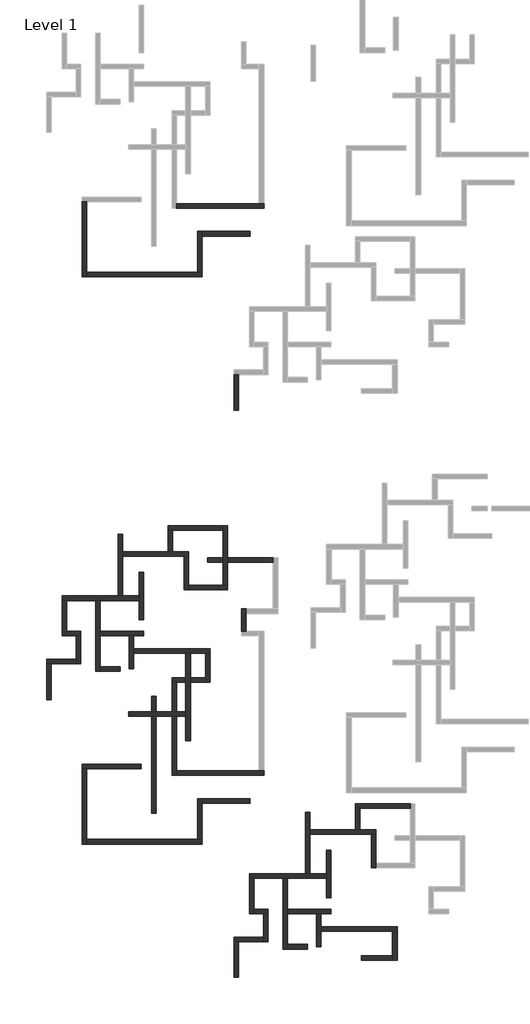
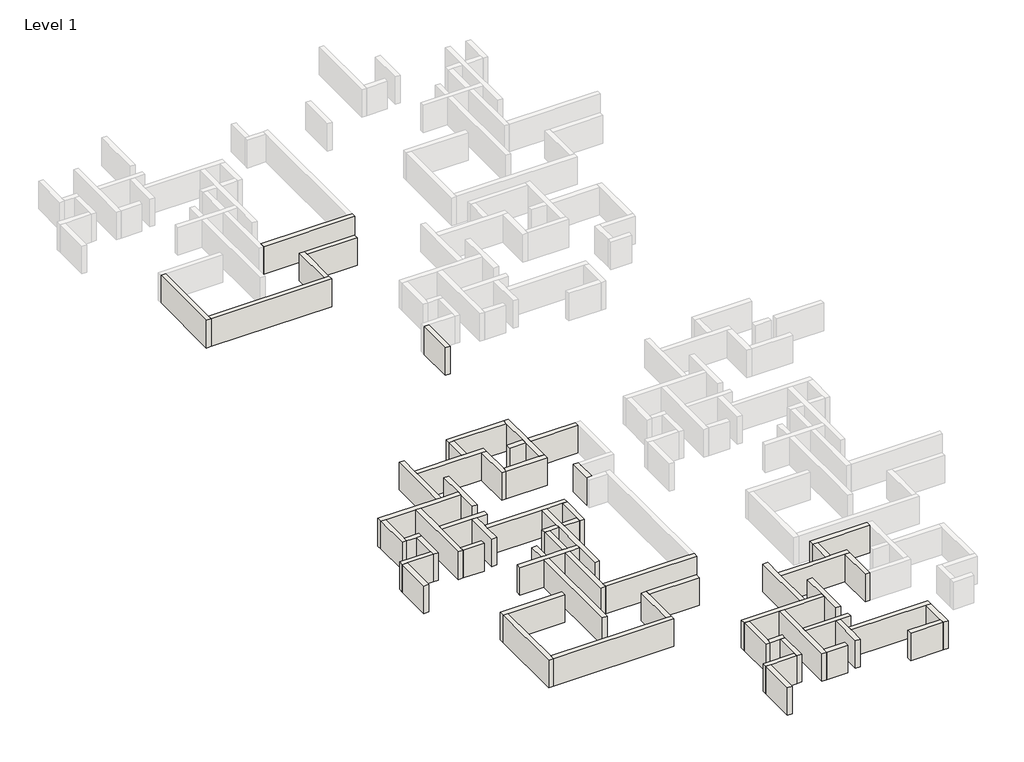
# One storey, part 1 of 7: 58 walls.
"""IFC4 building model written with IfcOpenShell, lengths in millimetres."""

from ifc_helpers import new_model, si_unit, origin, origin_with_axes, place, context, project, spatial, polyline, outline, extrude, faceted_brep, element, save

model = new_model("IFC4")

# Units and contexts
model_context = context("Model", 3, world=origin())
ifc_project = project(units=[si_unit("LENGTHUNIT", "METRE", prefix="MILLI")], contexts=[model_context])

# Site, building, storey
site = spatial("IfcSite", under=ifc_project)
building = spatial("IfcBuilding", under=site)
storey = spatial("IfcBuildingStorey", under=building, Name="Level 1", Elevation=0.0)

# Walls
placement = place(None, origin())
element("IfcWall", 1, ObjectType="Generic - 200mm", at=placement, inside=storey, context=model_context, shape_type="Brep", body=[
    faceted_brep([(-7334.8033404, -662.5465156, 0.0), (2065.1966596, -662.5465156, 0.0), (2065.1966596, -662.5465156, 3000.0), (-7334.8033404, -662.5465156, 3000.0), (-7334.8033404, -162.5465156, 0.0), (-7334.8033404, -162.5465156, 3000.0), (1565.1966596, -162.5465156, 3000.0), (2065.1966596, -162.5465156, 3000.0), (2065.1966596, -162.5465156, 0.0), (1565.1966596, -162.5465156, 0.0)], [[[0, 1, 2, 3]], [[4, 5, 6, 7, 8, 9]], [[1, 0, 4, 9, 8]], [[3, 2, 7, 6, 5]], [[0, 3, 5, 4]], [[2, 1, 8, 7]]]),
])
element("IfcWall", 2, ObjectType="Generic - 200mm", at=placement, inside=storey, context=model_context, shape_type="Brep", body=[
    faceted_brep([(-17484.8033404, 37.4534844, 0.0), (-17484.8033404, -8062.5465156, 0.0), (-17484.8033404, -8062.5465156, 3000.0), (-17484.8033404, 37.4534844, 3000.0), (-16984.8033404, 37.4534844, 0.0), (-16984.8033404, 37.4534844, 3000.0), (-16984.8033404, -7562.5465156, 3000.0), (-16984.8033404, -8062.5465156, 3000.0), (-16984.8033404, -8062.5465156, 0.0), (-16984.8033404, -7562.5465156, 0.0)], [[[0, 1, 2, 3]], [[4, 5, 6, 7, 8, 9]], [[1, 0, 4, 9, 8]], [[3, 2, 7, 6, 5]], [[0, 3, 5, 4]], [[2, 1, 8, 7]]]),
])
element("IfcWall", 3, ObjectType="Generic - 200mm", at=placement, inside=storey, context=model_context, shape_type="Brep", body=[
    faceted_brep([(-16984.8033404, -8062.5465156, 0.0), (-4584.8033404, -8062.5465156, 0.0), (-4584.8033404, -8062.5465156, 3000.0), (-16984.8033404, -8062.5465156, 3000.0), (-16984.8033404, -7562.5465156, 0.0), (-16984.8033404, -7562.5465156, 3000.0), (-5084.8033404, -7562.5465156, 3000.0), (-4584.8033404, -7562.5465156, 3000.0), (-4584.8033404, -7562.5465156, 0.0), (-5084.8033404, -7562.5465156, 0.0)], [[[0, 1, 2, 3]], [[4, 5, 6, 7, 8, 9]], [[1, 0, 4, 9, 8]], [[3, 2, 7, 6, 5]], [[0, 3, 5, 4]], [[2, 1, 8, 7]]]),
])
element("IfcWall", 4, ObjectType="Generic - 200mm", at=placement, inside=storey, context=model_context, shape_type="Brep", body=[
    faceted_brep([(-4584.8033404, -7562.5465156, 0.0), (-4584.8033404, -3662.5465156, 0.0), (-4584.8033404, -3162.5465156, 0.0), (-4584.8033404, -3162.5465156, 3000.0), (-4584.8033404, -3662.5465156, 3000.0), (-4584.8033404, -7562.5465156, 3000.0), (-5084.8033404, -7562.5465156, 0.0), (-5084.8033404, -7562.5465156, 3000.0), (-5084.8033404, -3162.5465156, 3000.0), (-5084.8033404, -3162.5465156, 0.0)], [[[0, 1, 2, 3, 4, 5]], [[6, 7, 8, 9]], [[2, 1, 0, 6, 9]], [[5, 4, 3, 8, 7]], [[0, 5, 7, 6]], [[3, 2, 9, 8]]]),
])
element("IfcWall", 5, ObjectType="Generic - 200mm", at=placement, inside=storey, context=model_context, shape_type="SweptSolid", body=[
    extrude(outline(polyline([(565.1966596, -3662.5465156), (-4584.8033404, -3662.5465156), (-4584.8033404, -3162.5465156), (565.1966596, -3162.5465156), (565.1966596, -3662.5465156)])), origin_with_axes(), (0.0, 0.0, 1.0), 3000.0),
])
element("IfcWall", 6, ObjectType="Generic - 200mm", at=placement, inside=storey, context=model_context, shape_type="SweptSolid", body=[
    extrude(outline(polyline([(-1167.6150204, -22411.6327635), (-1167.6150204, -18561.6327635), (-667.6150204, -18561.6327635), (-667.6150204, -22411.6327635), (-1167.6150204, -22411.6327635)])), origin_with_axes(), (0.0, 0.0, 1.0), 3000.0),
])
element("IfcWall", 7, ObjectType="Generic - 200mm", at=placement, inside=storey, context=model_context, shape_type="Brep", body=[
    faceted_brep([(-19634.8033404, -42862.5465156, 0.0), (-19134.8033404, -42862.5465156, 0.0), (-16034.8033404, -42862.5465156, 0.0), (-15534.8033404, -42862.5465156, 0.0), (-11384.8033404, -42862.5465156, 0.0), (-11384.8033404, -42862.5465156, 3000.0), (-15534.8033404, -42862.5465156, 3000.0), (-16034.8033404, -42862.5465156, 3000.0), (-19134.8033404, -42862.5465156, 3000.0), (-19634.8033404, -42862.5465156, 3000.0), (-19634.8033404, -42362.5465156, 0.0), (-19634.8033404, -42362.5465156, 3000.0), (-13634.8033404, -42362.5465156, 3000.0), (-13134.8033404, -42362.5465156, 3000.0), (-11384.8033404, -42362.5465156, 3000.0), (-11384.8033404, -42362.5465156, 0.0), (-13134.8033404, -42362.5465156, 0.0), (-13634.8033404, -42362.5465156, 0.0)], [[[0, 1, 2, 3, 4, 5, 6, 7, 8, 9]], [[10, 11, 12, 13, 14, 15, 16, 17]], [[4, 3, 2, 1, 0, 10, 17, 16, 15]], [[9, 8, 7, 6, 5, 14, 13, 12, 11]], [[0, 9, 11, 10]], [[5, 4, 15, 14]]]),
])
element("IfcWall", 8, ObjectType="Generic - 200mm", at=placement, inside=storey, context=model_context, shape_type="Brep", body=[
    faceted_brep([(-16034.8033404, -42862.5465156, 0.0), (-16034.8033404, -50462.5465156, 0.0), (-16034.8033404, -50462.5465156, 3000.0), (-16034.8033404, -42862.5465156, 3000.0), (-15534.8033404, -42862.5465156, 0.0), (-15534.8033404, -42862.5465156, 3000.0), (-15534.8033404, -46162.5465156, 3000.0), (-15534.8033404, -46662.5465156, 3000.0), (-15534.8033404, -49962.5465156, 3000.0), (-15534.8033404, -50462.5465156, 3000.0), (-15534.8033404, -50462.5465156, 0.0), (-15534.8033404, -49962.5465156, 0.0), (-15534.8033404, -46662.5465156, 0.0), (-15534.8033404, -46162.5465156, 0.0)], [[[0, 1, 2, 3]], [[4, 5, 6, 7, 8, 9, 10, 11, 12, 13]], [[1, 0, 4, 13, 12, 11, 10]], [[3, 2, 9, 8, 7, 6, 5]], [[0, 3, 5, 4]], [[2, 1, 10, 9]]]),
])
element("IfcWall", 9, ObjectType="Generic - 200mm", at=placement, inside=storey, context=model_context, shape_type="Brep", body=[
    faceted_brep([(-15534.8033404, -46662.5465156, 0.0), (-12434.8033404, -46662.5465156, 0.0), (-11934.8033404, -46662.5465156, 0.0), (-10884.8033404, -46662.5465156, 0.0), (-10884.8033404, -46662.5465156, 3000.0), (-11934.8033404, -46662.5465156, 3000.0), (-12434.8033404, -46662.5465156, 3000.0), (-15534.8033404, -46662.5465156, 3000.0), (-15534.8033404, -46162.5465156, 0.0), (-15534.8033404, -46162.5465156, 3000.0), (-10884.8033404, -46162.5465156, 3000.0), (-10884.8033404, -46162.5465156, 0.0)], [[[0, 1, 2, 3, 4, 5, 6, 7]], [[8, 9, 10, 11]], [[3, 2, 1, 0, 8, 11]], [[4, 3, 11, 10]], [[7, 6, 5, 4, 10, 9]], [[0, 7, 9, 8]]]),
])
element("IfcWall", 10, ObjectType="Generic - 200mm", at=placement, inside=storey, context=model_context, shape_type="Brep", body=[
    faceted_brep([(-12434.8033404, -46662.5465156, 0.0), (-12434.8033404, -50212.5465156, 0.0), (-12434.8033404, -50212.5465156, 3000.0), (-12434.8033404, -46662.5465156, 3000.0), (-11934.8033404, -46662.5465156, 0.0), (-11934.8033404, -46662.5465156, 3000.0), (-11934.8033404, -48062.5465156, 3000.0), (-11934.8033404, -48562.5465156, 3000.0), (-11934.8033404, -50212.5465156, 3000.0), (-11934.8033404, -50212.5465156, 0.0), (-11934.8033404, -48562.5465156, 0.0), (-11934.8033404, -48062.5465156, 0.0)], [[[0, 1, 2, 3]], [[4, 5, 6, 7, 8, 9, 10, 11]], [[1, 0, 4, 11, 10, 9]], [[2, 1, 9, 8]], [[3, 2, 8, 7, 6, 5]], [[0, 3, 5, 4]]]),
])
element("IfcWall", 11, ObjectType="Generic - 200mm", at=placement, inside=storey, context=model_context, shape_type="Brep", body=[
    faceted_brep([(-19634.8033404, -42862.5465156, 0.0), (-19634.8033404, -46662.5465156, 0.0), (-19634.8033404, -46662.5465156, 3000.0), (-19634.8033404, -42862.5465156, 3000.0), (-19134.8033404, -42862.5465156, 0.0), (-19134.8033404, -42862.5465156, 3000.0), (-19134.8033404, -46162.5465156, 3000.0), (-19134.8033404, -46662.5465156, 3000.0), (-19134.8033404, -46662.5465156, 0.0), (-19134.8033404, -46162.5465156, 0.0)], [[[0, 1, 2, 3]], [[4, 5, 6, 7, 8, 9]], [[1, 0, 4, 9, 8]], [[3, 2, 7, 6, 5]], [[0, 3, 5, 4]], [[2, 1, 8, 7]]]),
])
element("IfcWall", 12, ObjectType="Generic - 200mm", at=placement, inside=storey, context=model_context, shape_type="Brep", body=[
    faceted_brep([(-19134.8033404, -46662.5465156, 0.0), (-18134.8033404, -46662.5465156, 0.0), (-17634.8033404, -46662.5465156, 0.0), (-17634.8033404, -46662.5465156, 3000.0), (-18134.8033404, -46662.5465156, 3000.0), (-19134.8033404, -46662.5465156, 3000.0), (-19134.8033404, -46162.5465156, 0.0), (-19134.8033404, -46162.5465156, 3000.0), (-17634.8033404, -46162.5465156, 3000.0), (-17634.8033404, -46162.5465156, 0.0)], [[[0, 1, 2, 3, 4, 5]], [[6, 7, 8, 9]], [[2, 1, 0, 6, 9]], [[5, 4, 3, 8, 7]], [[0, 5, 7, 6]], [[3, 2, 9, 8]]]),
])
element("IfcWall", 13, ObjectType="Generic - 200mm", at=placement, inside=storey, context=model_context, shape_type="Brep", body=[
    faceted_brep([(-18134.8033404, -46662.5465156, 0.0), (-18134.8033404, -49162.5465156, 0.0), (-18134.8033404, -49662.5465156, 0.0), (-18134.8033404, -49662.5465156, 3000.0), (-18134.8033404, -49162.5465156, 3000.0), (-18134.8033404, -46662.5465156, 3000.0), (-17634.8033404, -46662.5465156, 0.0), (-17634.8033404, -46662.5465156, 3000.0), (-17634.8033404, -49662.5465156, 3000.0), (-17634.8033404, -49662.5465156, 0.0)], [[[0, 1, 2, 3, 4, 5]], [[6, 7, 8, 9]], [[2, 1, 0, 6, 9]], [[5, 4, 3, 8, 7]], [[0, 5, 7, 6]], [[3, 2, 9, 8]]]),
])
element("IfcWall", 14, ObjectType="Generic - 200mm", at=placement, inside=storey, context=model_context, shape_type="Brep", body=[
    faceted_brep([(-18134.8033404, -49162.5465156, 0.0), (-21334.8033404, -49162.5465156, 0.0), (-21334.8033404, -49162.5465156, 3000.0), (-18134.8033404, -49162.5465156, 3000.0), (-18134.8033404, -49662.5465156, 0.0), (-18134.8033404, -49662.5465156, 3000.0), (-20834.8033404, -49662.5465156, 3000.0), (-21334.8033404, -49662.5465156, 3000.0), (-21334.8033404, -49662.5465156, 0.0), (-20834.8033404, -49662.5465156, 0.0)], [[[0, 1, 2, 3]], [[4, 5, 6, 7, 8, 9]], [[1, 0, 4, 9, 8]], [[3, 2, 7, 6, 5]], [[0, 3, 5, 4]], [[2, 1, 8, 7]]]),
])
element("IfcWall", 15, ObjectType="Generic - 200mm", at=placement, inside=storey, context=model_context, shape_type="SweptSolid", body=[
    extrude(outline(polyline([(-21334.8033404, -53512.5465156), (-21334.8033404, -49662.5465156), (-20834.8033404, -49662.5465156), (-20834.8033404, -53512.5465156), (-21334.8033404, -53512.5465156)])), origin_with_axes(), (0.0, 0.0, 1.0), 3000.0),
])
element("IfcWall", 16, ObjectType="Generic - 200mm", at=placement, inside=storey, context=model_context, shape_type="SweptSolid", body=[
    extrude(outline(polyline([(-13384.8033404, -50462.5465156), (-15534.8033404, -50462.5465156), (-15534.8033404, -49962.5465156), (-13384.8033404, -49962.5465156), (-13384.8033404, -50462.5465156)])), origin_with_axes(), (0.0, 0.0, 1.0), 3000.0),
])
element("IfcWall", 17, ObjectType="Generic - 200mm", at=placement, inside=storey, context=model_context, shape_type="Brep", body=[
    faceted_brep([(-11934.8033404, -48562.5465156, 0.0), (-6334.8033404, -48562.5465156, 0.0), (-5834.8033404, -48562.5465156, 0.0), (-4234.8033404, -48562.5465156, 0.0), (-3734.8033404, -48562.5465156, 0.0), (-3734.8033404, -48562.5465156, 3000.0), (-4234.8033404, -48562.5465156, 3000.0), (-5834.8033404, -48562.5465156, 3000.0), (-6334.8033404, -48562.5465156, 3000.0), (-11934.8033404, -48562.5465156, 3000.0), (-11934.8033404, -48062.5465156, 0.0), (-11934.8033404, -48062.5465156, 3000.0), (-3734.8033404, -48062.5465156, 3000.0), (-3734.8033404, -48062.5465156, 0.0)], [[[0, 1, 2, 3, 4, 5, 6, 7, 8, 9]], [[10, 11, 12, 13]], [[4, 3, 2, 1, 0, 10, 13]], [[9, 8, 7, 6, 5, 12, 11]], [[0, 9, 11, 10]], [[5, 4, 13, 12]]]),
])
element("IfcWall", 18, ObjectType="Generic - 200mm", at=placement, inside=storey, context=model_context, shape_type="Brep", body=[
    faceted_brep([(-6334.8033404, -48562.5465156, 0.0), (-6334.8033404, -51162.5465156, 0.0), (-6334.8033404, -51662.5465156, 0.0), (-6334.8033404, -54812.5465156, 0.0), (-6334.8033404, -55312.5465156, 0.0), (-6334.8033404, -57962.5465156, 0.0), (-6334.8033404, -57962.5465156, 3000.0), (-6334.8033404, -55312.5465156, 3000.0), (-6334.8033404, -54812.5465156, 3000.0), (-6334.8033404, -51662.5465156, 3000.0), (-6334.8033404, -51162.5465156, 3000.0), (-6334.8033404, -48562.5465156, 3000.0), (-5834.8033404, -48562.5465156, 0.0), (-5834.8033404, -48562.5465156, 3000.0), (-5834.8033404, -51162.5465156, 3000.0), (-5834.8033404, -51662.5465156, 3000.0), (-5834.8033404, -57962.5465156, 3000.0), (-5834.8033404, -57962.5465156, 0.0), (-5834.8033404, -51662.5465156, 0.0), (-5834.8033404, -51162.5465156, 0.0)], [[[0, 1, 2, 3, 4, 5, 6, 7, 8, 9, 10, 11]], [[12, 13, 14, 15, 16, 17, 18, 19]], [[5, 4, 3, 2, 1, 0, 12, 19, 18, 17]], [[6, 5, 17, 16]], [[11, 10, 9, 8, 7, 6, 16, 15, 14, 13]], [[0, 11, 13, 12]]]),
])
element("IfcWall", 19, ObjectType="Generic - 200mm", at=placement, inside=storey, context=model_context, shape_type="Brep", body=[
    faceted_brep([(-6334.8033404, -54812.5465156, 0.0), (-7334.8033404, -54812.5465156, 0.0), (-7834.8033404, -54812.5465156, 0.0), (-9515.2174513, -54812.5465156, 0.0), (-10015.2174513, -54812.5465156, 0.0), (-12484.8033404, -54812.5465156, 0.0), (-12484.8033404, -54812.5465156, 3000.0), (-10015.2174513, -54812.5465156, 3000.0), (-9515.2174513, -54812.5465156, 3000.0), (-7834.8033404, -54812.5465156, 3000.0), (-7334.8033404, -54812.5465156, 3000.0), (-6334.8033404, -54812.5465156, 3000.0), (-6334.8033404, -55312.5465156, 0.0), (-6334.8033404, -55312.5465156, 3000.0), (-7334.8033404, -55312.5465156, 3000.0), (-7834.8033404, -55312.5465156, 3000.0), (-9515.2174513, -55312.5465156, 3000.0), (-10015.2174513, -55312.5465156, 3000.0), (-12484.8033404, -55312.5465156, 3000.0), (-12484.8033404, -55312.5465156, 0.0), (-10015.2174513, -55312.5465156, 0.0), (-9515.2174513, -55312.5465156, 0.0), (-7834.8033404, -55312.5465156, 0.0), (-7334.8033404, -55312.5465156, 0.0)], [[[0, 1, 2, 3, 4, 5, 6, 7, 8, 9, 10, 11]], [[12, 13, 14, 15, 16, 17, 18, 19, 20, 21, 22, 23]], [[5, 4, 3, 2, 1, 0, 12, 23, 22, 21, 20, 19]], [[6, 5, 19, 18]], [[11, 10, 9, 8, 7, 6, 18, 17, 16, 15, 14, 13]], [[0, 11, 13, 12]]]),
])
element("IfcWall", 20, ObjectType="Generic - 200mm", at=placement, inside=storey, context=model_context, shape_type="Brep", body=[
    faceted_brep([(-13134.8033404, -42362.5465156, 0.0), (-13134.8033404, -38112.5465156, 0.0), (-13134.8033404, -37612.5465156, 0.0), (-13134.8033404, -35762.5465156, 0.0), (-13134.8033404, -35762.5465156, 3000.0), (-13134.8033404, -37612.5465156, 3000.0), (-13134.8033404, -38112.5465156, 3000.0), (-13134.8033404, -42362.5465156, 3000.0), (-13634.8033404, -42362.5465156, 0.0), (-13634.8033404, -42362.5465156, 3000.0), (-13634.8033404, -35762.5465156, 3000.0), (-13634.8033404, -35762.5465156, 0.0)], [[[0, 1, 2, 3, 4, 5, 6, 7]], [[8, 9, 10, 11]], [[3, 2, 1, 0, 8, 11]], [[4, 3, 11, 10]], [[7, 6, 5, 4, 10, 9]], [[0, 7, 9, 8]]]),
])
element("IfcWall", 21, ObjectType="Generic - 200mm", at=placement, inside=storey, context=model_context, shape_type="Brep", body=[
    faceted_brep([(-13134.8033404, -38112.5465156, 0.0), (-6534.8033404, -38112.5465156, 0.0), (-6034.8033404, -38112.5465156, 0.0), (-6034.8033404, -38112.5465156, 3000.0), (-6534.8033404, -38112.5465156, 3000.0), (-13134.8033404, -38112.5465156, 3000.0), (-13134.8033404, -37612.5465156, 0.0), (-13134.8033404, -37612.5465156, 3000.0), (-8234.8033404, -37612.5465156, 3000.0), (-7734.8033404, -37612.5465156, 3000.0), (-6034.8033404, -37612.5465156, 3000.0), (-6034.8033404, -37612.5465156, 0.0), (-7734.8033404, -37612.5465156, 0.0), (-8234.8033404, -37612.5465156, 0.0)], [[[0, 1, 2, 3, 4, 5]], [[6, 7, 8, 9, 10, 11, 12, 13]], [[2, 1, 0, 6, 13, 12, 11]], [[5, 4, 3, 10, 9, 8, 7]], [[0, 5, 7, 6]], [[3, 2, 11, 10]]]),
])
element("IfcWall", 22, ObjectType="Generic - 200mm", at=placement, inside=storey, context=model_context, shape_type="Brep", body=[
    faceted_brep([(-10884.8033404, -44929.2490911, 0.0), (-10884.8033404, -39829.2490911, 0.0), (-10884.8033404, -39829.2490911, 3000.0), (-10884.8033404, -44929.2490911, 3000.0), (-11384.8033404, -44929.2490911, 0.0), (-11384.8033404, -44929.2490911, 3000.0), (-11384.8033404, -42862.5465156, 3000.0), (-11384.8033404, -42362.5465156, 3000.0), (-11384.8033404, -39829.2490911, 3000.0), (-11384.8033404, -39829.2490911, 0.0), (-11384.8033404, -42362.5465156, 0.0), (-11384.8033404, -42862.5465156, 0.0)], [[[0, 1, 2, 3]], [[4, 5, 6, 7, 8, 9, 10, 11]], [[1, 0, 4, 11, 10, 9]], [[2, 1, 9, 8]], [[3, 2, 8, 7, 6, 5]], [[0, 3, 5, 4]]]),
])
element("IfcWall", 23, ObjectType="Generic - 200mm", at=placement, inside=storey, context=model_context, shape_type="SweptSolid", body=[
    extrude(outline(polyline([(-9515.2174513, -65735.4605601), (-10015.2174513, -65735.4605601), (-10015.2174513, -55312.5465156), (-9515.2174513, -55312.5465156), (-9515.2174513, -65735.4605601)])), origin_with_axes(), (0.0, 0.0, 1.0), 3000.0),
    extrude(outline(polyline([(-10015.2174513, -53135.4605601), (-9515.2174513, -53135.4605601), (-9515.2174513, -54812.5465156), (-10015.2174513, -54812.5465156), (-10015.2174513, -53135.4605601)])), origin_with_axes(), (0.0, 0.0, 1.0), 3000.0),
])
element("IfcWall", 24, ObjectType="Generic - 200mm", at=placement, inside=storey, context=model_context, shape_type="Brep", body=[
    faceted_brep([(-6534.8033404, -38112.5465156, 0.0), (-6534.8033404, -41712.5465156, 0.0), (-6534.8033404, -41712.5465156, 3000.0), (-6534.8033404, -38112.5465156, 3000.0), (-6034.8033404, -38112.5465156, 0.0), (-6034.8033404, -38112.5465156, 3000.0), (-6034.8033404, -41212.5465156, 3000.0), (-6034.8033404, -41712.5465156, 3000.0), (-6034.8033404, -41712.5465156, 0.0), (-6034.8033404, -41212.5465156, 0.0)], [[[0, 1, 2, 3]], [[4, 5, 6, 7, 8, 9]], [[1, 0, 4, 9, 8]], [[3, 2, 7, 6, 5]], [[0, 3, 5, 4]], [[2, 1, 8, 7]]]),
])
element("IfcWall", 25, ObjectType="Generic - 200mm", at=placement, inside=storey, context=model_context, shape_type="Brep", body=[
    faceted_brep([(-6034.8033404, -41712.5465156, 0.0), (-1834.8033404, -41712.5465156, 0.0), (-1834.8033404, -41712.5465156, 3000.0), (-6034.8033404, -41712.5465156, 3000.0), (-6034.8033404, -41212.5465156, 0.0), (-6034.8033404, -41212.5465156, 3000.0), (-2334.8033404, -41212.5465156, 3000.0), (-1834.8033404, -41212.5465156, 3000.0), (-1834.8033404, -41212.5465156, 0.0), (-2334.8033404, -41212.5465156, 0.0)], [[[0, 1, 2, 3]], [[4, 5, 6, 7, 8, 9]], [[1, 0, 4, 9, 8]], [[3, 2, 7, 6, 5]], [[0, 3, 5, 4]], [[2, 1, 8, 7]]]),
])
element("IfcWall", 26, ObjectType="Generic - 200mm", at=placement, inside=storey, context=model_context, shape_type="Brep", body=[
    faceted_brep([(-1834.8033404, -41212.5465156, 0.0), (-1834.8033404, -38762.5465156, 0.0), (-1834.8033404, -38262.5465156, 0.0), (-1834.8033404, -34812.5465156, 0.0), (-1834.8033404, -34812.5465156, 3000.0), (-1834.8033404, -38262.5465156, 3000.0), (-1834.8033404, -38762.5465156, 3000.0), (-1834.8033404, -41212.5465156, 3000.0), (-2334.8033404, -41212.5465156, 0.0), (-2334.8033404, -41212.5465156, 3000.0), (-2334.8033404, -38762.5465156, 3000.0), (-2334.8033404, -38262.5465156, 3000.0), (-2334.8033404, -35312.5465156, 3000.0), (-2334.8033404, -34812.5465156, 3000.0), (-2334.8033404, -34812.5465156, 0.0), (-2334.8033404, -35312.5465156, 0.0), (-2334.8033404, -38262.5465156, 0.0), (-2334.8033404, -38762.5465156, 0.0)], [[[0, 1, 2, 3, 4, 5, 6, 7]], [[8, 9, 10, 11, 12, 13, 14, 15, 16, 17]], [[3, 2, 1, 0, 8, 17, 16, 15, 14]], [[7, 6, 5, 4, 13, 12, 11, 10, 9]], [[0, 7, 9, 8]], [[4, 3, 14, 13]]]),
])
element("IfcWall", 27, ObjectType="Generic - 200mm", at=placement, inside=storey, context=model_context, shape_type="Brep", body=[
    faceted_brep([(-2334.8033404, -34812.5465156, 0.0), (-8234.8033404, -34812.5465156, 0.0), (-8234.8033404, -34812.5465156, 3000.0), (-2334.8033404, -34812.5465156, 3000.0), (-2334.8033404, -35312.5465156, 0.0), (-2334.8033404, -35312.5465156, 3000.0), (-7734.8033404, -35312.5465156, 3000.0), (-8234.8033404, -35312.5465156, 3000.0), (-8234.8033404, -35312.5465156, 0.0), (-7734.8033404, -35312.5465156, 0.0)], [[[0, 1, 2, 3]], [[4, 5, 6, 7, 8, 9]], [[1, 0, 4, 9, 8]], [[3, 2, 7, 6, 5]], [[0, 3, 5, 4]], [[2, 1, 8, 7]]]),
])
element("IfcWall", 28, ObjectType="Generic - 200mm", at=placement, inside=storey, context=model_context, shape_type="SweptSolid", body=[
    extrude(outline(polyline([(-8234.8033404, -37612.5465156), (-8234.8033404, -35312.5465156), (-7734.8033404, -35312.5465156), (-7734.8033404, -37612.5465156), (-8234.8033404, -37612.5465156)])), origin_with_axes(), (0.0, 0.0, 1.0), 3000.0),
])
element("IfcWall", 29, ObjectType="Generic - 200mm", at=placement, inside=storey, context=model_context, shape_type="Brep", body=[
    faceted_brep([(-4234.8033404, -48562.5465156, 0.0), (-4234.8033404, -51162.5465156, 0.0), (-4234.8033404, -51662.5465156, 0.0), (-4234.8033404, -51662.5465156, 3000.0), (-4234.8033404, -51162.5465156, 3000.0), (-4234.8033404, -48562.5465156, 3000.0), (-3734.8033404, -48562.5465156, 0.0), (-3734.8033404, -48562.5465156, 3000.0), (-3734.8033404, -51662.5465156, 3000.0), (-3734.8033404, -51662.5465156, 0.0)], [[[0, 1, 2, 3, 4, 5]], [[6, 7, 8, 9]], [[2, 1, 0, 6, 9]], [[5, 4, 3, 8, 7]], [[0, 5, 7, 6]], [[3, 2, 9, 8]]]),
])
element("IfcWall", 30, ObjectType="Generic - 200mm", at=placement, inside=storey, context=model_context, shape_type="Brep", body=[
    faceted_brep([(-4234.8033404, -51162.5465156, 3000.0), (-4234.8033404, -51162.5465156, 0.0), (-5834.8033404, -51162.5465156, 0.0), (-5834.8033404, -51162.5465156, 3000.0), (-4234.8033404, -51662.5465156, 0.0), (-4234.8033404, -51662.5465156, 3000.0), (-5834.8033404, -51662.5465156, 3000.0), (-5834.8033404, -51662.5465156, 0.0)], [[[0, 1, 2, 3]], [[4, 5, 6, 7]], [[1, 4, 7, 2]], [[5, 0, 3, 6]], [[1, 0, 5, 4]], [[3, 2, 7, 6]]]),
    faceted_brep([(-7834.8033404, -51162.5465156, 0.0), (-7834.8033404, -51162.5465156, 3000.0), (-6334.8033404, -51162.5465156, 3000.0), (-6334.8033404, -51162.5465156, 0.0), (-7834.8033404, -51662.5465156, 3000.0), (-7834.8033404, -51662.5465156, 0.0), (-7334.8033404, -51662.5465156, 0.0), (-6334.8033404, -51662.5465156, 0.0), (-6334.8033404, -51662.5465156, 3000.0), (-7334.8033404, -51662.5465156, 3000.0)], [[[0, 1, 2, 3]], [[4, 5, 6, 7, 8, 9]], [[5, 0, 3, 7, 6]], [[1, 4, 9, 8, 2]], [[3, 2, 8, 7]], [[1, 0, 5, 4]]]),
])
element("IfcWall", 31, ObjectType="Generic - 200mm", at=placement, inside=storey, context=model_context, shape_type="Brep", body=[
    faceted_brep([(-7834.8033404, -51662.5465156, 3000.0), (-7834.8033404, -51662.5465156, 0.0), (-7834.8033404, -54812.5465156, 0.0), (-7834.8033404, -54812.5465156, 3000.0), (-7334.8033404, -51662.5465156, 0.0), (-7334.8033404, -51662.5465156, 3000.0), (-7334.8033404, -54812.5465156, 3000.0), (-7334.8033404, -54812.5465156, 0.0)], [[[0, 1, 2, 3]], [[4, 5, 6, 7]], [[1, 4, 7, 2]], [[5, 0, 3, 6]], [[1, 0, 5, 4]], [[3, 2, 7, 6]]]),
    faceted_brep([(-7834.8033404, -61662.5465156, 0.0), (-7834.8033404, -61662.5465156, 3000.0), (-7834.8033404, -55312.5465156, 3000.0), (-7834.8033404, -55312.5465156, 0.0), (-7334.8033404, -61662.5465156, 3000.0), (-7334.8033404, -61662.5465156, 0.0), (-7334.8033404, -61162.5465156, 0.0), (-7334.8033404, -55312.5465156, 0.0), (-7334.8033404, -55312.5465156, 3000.0), (-7334.8033404, -61162.5465156, 3000.0)], [[[0, 1, 2, 3]], [[4, 5, 6, 7, 8, 9]], [[5, 0, 3, 7, 6]], [[1, 4, 9, 8, 2]], [[3, 2, 8, 7]], [[1, 0, 5, 4]]]),
])
element("IfcWall", 32, ObjectType="Generic - 200mm", at=placement, inside=storey, context=model_context, shape_type="Brep", body=[
    faceted_brep([(-7334.8033404, -61662.5465156, 0.0), (2065.1966596, -61662.5465156, 0.0), (2065.1966596, -61662.5465156, 3000.0), (-7334.8033404, -61662.5465156, 3000.0), (-7334.8033404, -61162.5465156, 0.0), (-7334.8033404, -61162.5465156, 3000.0), (1565.1966596, -61162.5465156, 3000.0), (2065.1966596, -61162.5465156, 3000.0), (2065.1966596, -61162.5465156, 0.0), (1565.1966596, -61162.5465156, 0.0)], [[[0, 1, 2, 3]], [[4, 5, 6, 7, 8, 9]], [[1, 0, 4, 9, 8]], [[3, 2, 7, 6, 5]], [[0, 3, 5, 4]], [[2, 1, 8, 7]]]),
])
element("IfcWall", 33, ObjectType="Generic - 200mm", at=placement, inside=storey, context=model_context, shape_type="Brep", body=[
    faceted_brep([(165.1966596, -46162.5465156, 0.0), (165.1966596, -44262.5465156, 0.0), (165.1966596, -43762.5465156, 0.0), (165.1966596, -43762.5465156, 3000.0), (165.1966596, -44262.5465156, 3000.0), (165.1966596, -46162.5465156, 3000.0), (-334.8033404, -46162.5465156, 0.0), (-334.8033404, -46162.5465156, 3000.0), (-334.8033404, -43762.5465156, 3000.0), (-334.8033404, -43762.5465156, 0.0)], [[[0, 1, 2, 3, 4, 5]], [[6, 7, 8, 9]], [[2, 1, 0, 6, 9]], [[5, 4, 3, 8, 7]], [[0, 5, 7, 6]], [[3, 2, 9, 8]]]),
])
element("IfcWall", 34, ObjectType="Generic - 200mm", at=placement, inside=storey, context=model_context, shape_type="SweptSolid", body=[
    extrude(outline(polyline([(-3984.8033404, -38762.5465156), (-3984.8033404, -38262.5465156), (-2334.8033404, -38262.5465156), (-2334.8033404, -38762.5465156), (-3984.8033404, -38762.5465156)])), origin_with_axes(), (0.0, 0.0, 1.0), 3000.0),
    extrude(outline(polyline([(3065.1966596, -38262.5465156), (3065.1966596, -38762.5465156), (-1834.8033404, -38762.5465156), (-1834.8033404, -38262.5465156), (3065.1966596, -38262.5465156)])), origin_with_axes(), (0.0, 0.0, 1.0), 3000.0),
])
element("IfcWall", 35, ObjectType="Generic - 200mm", at=placement, inside=storey, context=model_context, shape_type="Brep", body=[
    faceted_brep([(-11134.8033404, -60462.5465156, 0.0), (-17484.8033404, -60462.5465156, 0.0), (-17484.8033404, -60462.5465156, 3000.0), (-11134.8033404, -60462.5465156, 3000.0), (-11134.8033404, -60962.5465156, 0.0), (-11134.8033404, -60962.5465156, 3000.0), (-16984.8033404, -60962.5465156, 3000.0), (-17484.8033404, -60962.5465156, 3000.0), (-17484.8033404, -60962.5465156, 0.0), (-16984.8033404, -60962.5465156, 0.0)], [[[0, 1, 2, 3]], [[4, 5, 6, 7, 8, 9]], [[1, 0, 4, 9, 8]], [[3, 2, 7, 6, 5]], [[0, 3, 5, 4]], [[2, 1, 8, 7]]]),
])
element("IfcWall", 36, ObjectType="Generic - 200mm", at=placement, inside=storey, context=model_context, shape_type="Brep", body=[
    faceted_brep([(-17484.8033404, -60962.5465156, 0.0), (-17484.8033404, -69062.5465156, 0.0), (-17484.8033404, -69062.5465156, 3000.0), (-17484.8033404, -60962.5465156, 3000.0), (-16984.8033404, -60962.5465156, 0.0), (-16984.8033404, -60962.5465156, 3000.0), (-16984.8033404, -68562.5465156, 3000.0), (-16984.8033404, -69062.5465156, 3000.0), (-16984.8033404, -69062.5465156, 0.0), (-16984.8033404, -68562.5465156, 0.0)], [[[0, 1, 2, 3]], [[4, 5, 6, 7, 8, 9]], [[1, 0, 4, 9, 8]], [[3, 2, 7, 6, 5]], [[0, 3, 5, 4]], [[2, 1, 8, 7]]]),
])
element("IfcWall", 37, ObjectType="Generic - 200mm", at=placement, inside=storey, context=model_context, shape_type="Brep", body=[
    faceted_brep([(-16984.8033404, -69062.5465156, 0.0), (-4584.8033404, -69062.5465156, 0.0), (-4584.8033404, -69062.5465156, 3000.0), (-16984.8033404, -69062.5465156, 3000.0), (-16984.8033404, -68562.5465156, 0.0), (-16984.8033404, -68562.5465156, 3000.0), (-5084.8033404, -68562.5465156, 3000.0), (-4584.8033404, -68562.5465156, 3000.0), (-4584.8033404, -68562.5465156, 0.0), (-5084.8033404, -68562.5465156, 0.0)], [[[0, 1, 2, 3]], [[4, 5, 6, 7, 8, 9]], [[1, 0, 4, 9, 8]], [[3, 2, 7, 6, 5]], [[0, 3, 5, 4]], [[2, 1, 8, 7]]]),
])
element("IfcWall", 38, ObjectType="Generic - 200mm", at=placement, inside=storey, context=model_context, shape_type="Brep", body=[
    faceted_brep([(-4584.8033404, -68562.5465156, 0.0), (-4584.8033404, -64662.5465156, 0.0), (-4584.8033404, -64162.5465156, 0.0), (-4584.8033404, -64162.5465156, 3000.0), (-4584.8033404, -64662.5465156, 3000.0), (-4584.8033404, -68562.5465156, 3000.0), (-5084.8033404, -68562.5465156, 0.0), (-5084.8033404, -68562.5465156, 3000.0), (-5084.8033404, -64162.5465156, 3000.0), (-5084.8033404, -64162.5465156, 0.0)], [[[0, 1, 2, 3, 4, 5]], [[6, 7, 8, 9]], [[2, 1, 0, 6, 9]], [[5, 4, 3, 8, 7]], [[0, 5, 7, 6]], [[3, 2, 9, 8]]]),
])
element("IfcWall", 39, ObjectType="Generic - 200mm", at=placement, inside=storey, context=model_context, shape_type="SweptSolid", body=[
    extrude(outline(polyline([(565.1966596, -64662.5465156), (-4584.8033404, -64662.5465156), (-4584.8033404, -64162.5465156), (565.1966596, -64162.5465156), (565.1966596, -64662.5465156)])), origin_with_axes(), (0.0, 0.0, 1.0), 3000.0),
])
element("IfcWall", 40, ObjectType="Generic - 200mm", at=placement, inside=storey, context=model_context, shape_type="Brep", body=[
    faceted_brep([(532.3849796, -72761.6327635, 0.0), (1032.3849796, -72761.6327635, 0.0), (4132.3849796, -72761.6327635, 0.0), (4632.3849796, -72761.6327635, 0.0), (8782.3849796, -72761.6327635, 0.0), (8782.3849796, -72761.6327635, 3000.0), (4632.3849796, -72761.6327635, 3000.0), (4132.3849796, -72761.6327635, 3000.0), (1032.3849796, -72761.6327635, 3000.0), (532.3849796, -72761.6327635, 3000.0), (532.3849796, -72261.6327635, 0.0), (532.3849796, -72261.6327635, 3000.0), (6532.3849796, -72261.6327635, 3000.0), (7032.3849796, -72261.6327635, 3000.0), (8782.3849796, -72261.6327635, 3000.0), (8782.3849796, -72261.6327635, 0.0), (7032.3849796, -72261.6327635, 0.0), (6532.3849796, -72261.6327635, 0.0)], [[[0, 1, 2, 3, 4, 5, 6, 7, 8, 9]], [[10, 11, 12, 13, 14, 15, 16, 17]], [[4, 3, 2, 1, 0, 10, 17, 16, 15]], [[9, 8, 7, 6, 5, 14, 13, 12, 11]], [[0, 9, 11, 10]], [[5, 4, 15, 14]]]),
])
element("IfcWall", 41, ObjectType="Generic - 200mm", at=placement, inside=storey, context=model_context, shape_type="Brep", body=[
    faceted_brep([(4132.3849796, -72761.6327635, 0.0), (4132.3849796, -80361.6327635, 0.0), (4132.3849796, -80361.6327635, 3000.0), (4132.3849796, -72761.6327635, 3000.0), (4632.3849796, -72761.6327635, 0.0), (4632.3849796, -72761.6327635, 3000.0), (4632.3849796, -76061.6327635, 3000.0), (4632.3849796, -76561.6327635, 3000.0), (4632.3849796, -79861.6327635, 3000.0), (4632.3849796, -80361.6327635, 3000.0), (4632.3849796, -80361.6327635, 0.0), (4632.3849796, -79861.6327635, 0.0), (4632.3849796, -76561.6327635, 0.0), (4632.3849796, -76061.6327635, 0.0)], [[[0, 1, 2, 3]], [[4, 5, 6, 7, 8, 9, 10, 11, 12, 13]], [[1, 0, 4, 13, 12, 11, 10]], [[3, 2, 9, 8, 7, 6, 5]], [[0, 3, 5, 4]], [[2, 1, 10, 9]]]),
])
element("IfcWall", 42, ObjectType="Generic - 200mm", at=placement, inside=storey, context=model_context, shape_type="Brep", body=[
    faceted_brep([(4632.3849796, -76561.6327635, 0.0), (7732.3849796, -76561.6327635, 0.0), (8232.3849796, -76561.6327635, 0.0), (9282.3849796, -76561.6327635, 0.0), (9282.3849796, -76561.6327635, 3000.0), (8232.3849796, -76561.6327635, 3000.0), (7732.3849796, -76561.6327635, 3000.0), (4632.3849796, -76561.6327635, 3000.0), (4632.3849796, -76061.6327635, 0.0), (4632.3849796, -76061.6327635, 3000.0), (9282.3849796, -76061.6327635, 3000.0), (9282.3849796, -76061.6327635, 0.0)], [[[0, 1, 2, 3, 4, 5, 6, 7]], [[8, 9, 10, 11]], [[3, 2, 1, 0, 8, 11]], [[4, 3, 11, 10]], [[7, 6, 5, 4, 10, 9]], [[0, 7, 9, 8]]]),
])
element("IfcWall", 43, ObjectType="Generic - 200mm", at=placement, inside=storey, context=model_context, shape_type="Brep", body=[
    faceted_brep([(7732.3849796, -76561.6327635, 0.0), (7732.3849796, -80111.6327635, 0.0), (7732.3849796, -80111.6327635, 3000.0), (7732.3849796, -76561.6327635, 3000.0), (8232.3849796, -76561.6327635, 0.0), (8232.3849796, -76561.6327635, 3000.0), (8232.3849796, -77961.6327635, 3000.0), (8232.3849796, -78461.6327635, 3000.0), (8232.3849796, -80111.6327635, 3000.0), (8232.3849796, -80111.6327635, 0.0), (8232.3849796, -78461.6327635, 0.0), (8232.3849796, -77961.6327635, 0.0)], [[[0, 1, 2, 3]], [[4, 5, 6, 7, 8, 9, 10, 11]], [[1, 0, 4, 11, 10, 9]], [[2, 1, 9, 8]], [[3, 2, 8, 7, 6, 5]], [[0, 3, 5, 4]]]),
])
element("IfcWall", 44, ObjectType="Generic - 200mm", at=placement, inside=storey, context=model_context, shape_type="Brep", body=[
    faceted_brep([(532.3849796, -72761.6327635, 0.0), (532.3849796, -76561.6327635, 0.0), (532.3849796, -76561.6327635, 3000.0), (532.3849796, -72761.6327635, 3000.0), (1032.3849796, -72761.6327635, 0.0), (1032.3849796, -72761.6327635, 3000.0), (1032.3849796, -76061.6327635, 3000.0), (1032.3849796, -76561.6327635, 3000.0), (1032.3849796, -76561.6327635, 0.0), (1032.3849796, -76061.6327635, 0.0)], [[[0, 1, 2, 3]], [[4, 5, 6, 7, 8, 9]], [[1, 0, 4, 9, 8]], [[3, 2, 7, 6, 5]], [[0, 3, 5, 4]], [[2, 1, 8, 7]]]),
])
element("IfcWall", 45, ObjectType="Generic - 200mm", at=placement, inside=storey, context=model_context, shape_type="Brep", body=[
    faceted_brep([(1032.3849796, -76561.6327635, 0.0), (2032.3849796, -76561.6327635, 0.0), (2532.3849796, -76561.6327635, 0.0), (2532.3849796, -76561.6327635, 3000.0), (2032.3849796, -76561.6327635, 3000.0), (1032.3849796, -76561.6327635, 3000.0), (1032.3849796, -76061.6327635, 0.0), (1032.3849796, -76061.6327635, 3000.0), (2532.3849796, -76061.6327635, 3000.0), (2532.3849796, -76061.6327635, 0.0)], [[[0, 1, 2, 3, 4, 5]], [[6, 7, 8, 9]], [[2, 1, 0, 6, 9]], [[5, 4, 3, 8, 7]], [[0, 5, 7, 6]], [[3, 2, 9, 8]]]),
])
element("IfcWall", 46, ObjectType="Generic - 200mm", at=placement, inside=storey, context=model_context, shape_type="Brep", body=[
    faceted_brep([(2032.3849796, -76561.6327635, 0.0), (2032.3849796, -79061.6327635, 0.0), (2032.3849796, -79561.6327635, 0.0), (2032.3849796, -79561.6327635, 3000.0), (2032.3849796, -79061.6327635, 3000.0), (2032.3849796, -76561.6327635, 3000.0), (2532.3849796, -76561.6327635, 0.0), (2532.3849796, -76561.6327635, 3000.0), (2532.3849796, -79561.6327635, 3000.0), (2532.3849796, -79561.6327635, 0.0)], [[[0, 1, 2, 3, 4, 5]], [[6, 7, 8, 9]], [[2, 1, 0, 6, 9]], [[5, 4, 3, 8, 7]], [[0, 5, 7, 6]], [[3, 2, 9, 8]]]),
])
element("IfcWall", 47, ObjectType="Generic - 200mm", at=placement, inside=storey, context=model_context, shape_type="Brep", body=[
    faceted_brep([(2032.3849796, -79061.6327635, 0.0), (-1167.6150204, -79061.6327635, 0.0), (-1167.6150204, -79061.6327635, 3000.0), (2032.3849796, -79061.6327635, 3000.0), (2032.3849796, -79561.6327635, 0.0), (2032.3849796, -79561.6327635, 3000.0), (-667.6150204, -79561.6327635, 3000.0), (-1167.6150204, -79561.6327635, 3000.0), (-1167.6150204, -79561.6327635, 0.0), (-667.6150204, -79561.6327635, 0.0)], [[[0, 1, 2, 3]], [[4, 5, 6, 7, 8, 9]], [[1, 0, 4, 9, 8]], [[3, 2, 7, 6, 5]], [[0, 3, 5, 4]], [[2, 1, 8, 7]]]),
])
element("IfcWall", 48, ObjectType="Generic - 200mm", at=placement, inside=storey, context=model_context, shape_type="SweptSolid", body=[
    extrude(outline(polyline([(-1167.6150204, -83411.6327635), (-1167.6150204, -79561.6327635), (-667.6150204, -79561.6327635), (-667.6150204, -83411.6327635), (-1167.6150204, -83411.6327635)])), origin_with_axes(), (0.0, 0.0, 1.0), 3000.0),
])
element("IfcWall", 49, ObjectType="Generic - 200mm", at=placement, inside=storey, context=model_context, shape_type="SweptSolid", body=[
    extrude(outline(polyline([(6782.3849796, -80361.6327635), (4632.3849796, -80361.6327635), (4632.3849796, -79861.6327635), (6782.3849796, -79861.6327635), (6782.3849796, -80361.6327635)])), origin_with_axes(), (0.0, 0.0, 1.0), 3000.0),
])
element("IfcWall", 50, ObjectType="Generic - 200mm", at=placement, inside=storey, context=model_context, shape_type="Brep", body=[
    faceted_brep([(8232.3849796, -78461.6327635, 0.0), (15932.3849796, -78461.6327635, 0.0), (16432.3849796, -78461.6327635, 0.0), (16432.3849796, -78461.6327635, 3000.0), (15932.3849796, -78461.6327635, 3000.0), (8232.3849796, -78461.6327635, 3000.0), (8232.3849796, -77961.6327635, 0.0), (8232.3849796, -77961.6327635, 3000.0), (16432.3849796, -77961.6327635, 3000.0), (16432.3849796, -77961.6327635, 0.0)], [[[0, 1, 2, 3, 4, 5]], [[6, 7, 8, 9]], [[2, 1, 0, 6, 9]], [[5, 4, 3, 8, 7]], [[0, 5, 7, 6]], [[3, 2, 9, 8]]]),
])
element("IfcWall", 51, ObjectType="Generic - 200mm", at=placement, inside=storey, context=model_context, shape_type="Brep", body=[
    faceted_brep([(7032.3849796, -72261.6327635, 0.0), (7032.3849796, -68011.6327635, 0.0), (7032.3849796, -67511.6327635, 0.0), (7032.3849796, -65661.6327635, 0.0), (7032.3849796, -65661.6327635, 3000.0), (7032.3849796, -67511.6327635, 3000.0), (7032.3849796, -68011.6327635, 3000.0), (7032.3849796, -72261.6327635, 3000.0), (6532.3849796, -72261.6327635, 0.0), (6532.3849796, -72261.6327635, 3000.0), (6532.3849796, -65661.6327635, 3000.0), (6532.3849796, -65661.6327635, 0.0)], [[[0, 1, 2, 3, 4, 5, 6, 7]], [[8, 9, 10, 11]], [[3, 2, 1, 0, 8, 11]], [[4, 3, 11, 10]], [[7, 6, 5, 4, 10, 9]], [[0, 7, 9, 8]]]),
])
element("IfcWall", 52, ObjectType="Generic - 200mm", at=placement, inside=storey, context=model_context, shape_type="Brep", body=[
    faceted_brep([(7032.3849796, -68011.6327635, 0.0), (13632.3849796, -68011.6327635, 0.0), (14132.3849796, -68011.6327635, 0.0), (14132.3849796, -68011.6327635, 3000.0), (13632.3849796, -68011.6327635, 3000.0), (7032.3849796, -68011.6327635, 3000.0), (7032.3849796, -67511.6327635, 0.0), (7032.3849796, -67511.6327635, 3000.0), (11932.3849796, -67511.6327635, 3000.0), (12432.3849796, -67511.6327635, 3000.0), (14132.3849796, -67511.6327635, 3000.0), (14132.3849796, -67511.6327635, 0.0), (12432.3849796, -67511.6327635, 0.0), (11932.3849796, -67511.6327635, 0.0)], [[[0, 1, 2, 3, 4, 5]], [[6, 7, 8, 9, 10, 11, 12, 13]], [[2, 1, 0, 6, 13, 12, 11]], [[5, 4, 3, 10, 9, 8, 7]], [[0, 5, 7, 6]], [[3, 2, 11, 10]]]),
])
element("IfcWall", 53, ObjectType="Generic - 200mm", at=placement, inside=storey, context=model_context, shape_type="Brep", body=[
    faceted_brep([(9282.3849796, -74828.3353389, 0.0), (9282.3849796, -69728.3353389, 0.0), (9282.3849796, -69728.3353389, 3000.0), (9282.3849796, -74828.3353389, 3000.0), (8782.3849796, -74828.3353389, 0.0), (8782.3849796, -74828.3353389, 3000.0), (8782.3849796, -72761.6327635, 3000.0), (8782.3849796, -72261.6327635, 3000.0), (8782.3849796, -69728.3353389, 3000.0), (8782.3849796, -69728.3353389, 0.0), (8782.3849796, -72261.6327635, 0.0), (8782.3849796, -72761.6327635, 0.0)], [[[0, 1, 2, 3]], [[4, 5, 6, 7, 8, 9, 10, 11]], [[1, 0, 4, 11, 10, 9]], [[2, 1, 9, 8]], [[3, 2, 8, 7, 6, 5]], [[0, 3, 5, 4]]]),
])
element("IfcWall", 54, ObjectType="Generic - 200mm", at=placement, inside=storey, context=model_context, shape_type="Brep", body=[
    faceted_brep([(13632.3849796, -68011.6327635, 0.0), (13632.3849796, -71611.6327635, 0.0), (13632.3849796, -71611.6327635, 3000.0), (13632.3849796, -68011.6327635, 3000.0), (14132.3849796, -68011.6327635, 0.0), (14132.3849796, -68011.6327635, 3000.0), (14132.3849796, -71111.6327635, 3000.0), (14132.3849796, -71611.6327635, 3000.0), (14132.3849796, -71611.6327635, 0.0), (14132.3849796, -71111.6327635, 0.0)], [[[0, 1, 2, 3]], [[4, 5, 6, 7, 8, 9]], [[1, 0, 4, 9, 8]], [[3, 2, 7, 6, 5]], [[0, 3, 5, 4]], [[2, 1, 8, 7]]]),
])
element("IfcWall", 55, ObjectType="Generic - 200mm", at=placement, inside=storey, context=model_context, shape_type="Brep", body=[
    faceted_brep([(17832.3849796, -64711.6327635, 0.0), (11932.3849796, -64711.6327635, 0.0), (11932.3849796, -64711.6327635, 3000.0), (17832.3849796, -64711.6327635, 3000.0), (17832.3849796, -65211.6327635, 0.0), (17832.3849796, -65211.6327635, 3000.0), (12432.3849796, -65211.6327635, 3000.0), (11932.3849796, -65211.6327635, 3000.0), (11932.3849796, -65211.6327635, 0.0), (12432.3849796, -65211.6327635, 0.0)], [[[0, 1, 2, 3]], [[4, 5, 6, 7, 8, 9]], [[1, 0, 4, 9, 8]], [[3, 2, 7, 6, 5]], [[0, 3, 5, 4]], [[2, 1, 8, 7]]]),
])
element("IfcWall", 56, ObjectType="Generic - 200mm", at=placement, inside=storey, context=model_context, shape_type="SweptSolid", body=[
    extrude(outline(polyline([(11932.3849796, -67511.6327635), (11932.3849796, -65211.6327635), (12432.3849796, -65211.6327635), (12432.3849796, -67511.6327635), (11932.3849796, -67511.6327635)])), origin_with_axes(), (0.0, 0.0, 1.0), 3000.0),
])
element("IfcWall", 57, ObjectType="Generic - 200mm", at=placement, inside=storey, context=model_context, shape_type="Brep", body=[
    faceted_brep([(15932.3849796, -78461.6327635, 0.0), (15932.3849796, -81061.6327635, 0.0), (15932.3849796, -81561.6327635, 0.0), (15932.3849796, -81561.6327635, 3000.0), (15932.3849796, -81061.6327635, 3000.0), (15932.3849796, -78461.6327635, 3000.0), (16432.3849796, -78461.6327635, 0.0), (16432.3849796, -78461.6327635, 3000.0), (16432.3849796, -81561.6327635, 3000.0), (16432.3849796, -81561.6327635, 0.0)], [[[0, 1, 2, 3, 4, 5]], [[6, 7, 8, 9]], [[2, 1, 0, 6, 9]], [[5, 4, 3, 8, 7]], [[0, 5, 7, 6]], [[3, 2, 9, 8]]]),
])
element("IfcWall", 58, ObjectType="Generic - 200mm", at=placement, inside=storey, context=model_context, shape_type="SweptSolid", body=[
    extrude(outline(polyline([(12582.3849796, -81061.6327635), (15932.3849796, -81061.6327635), (15932.3849796, -81561.6327635), (12582.3849796, -81561.6327635), (12582.3849796, -81061.6327635)])), origin_with_axes(), (0.0, 0.0, 1.0), 3000.0),
])

save(model, "model.ifc")
